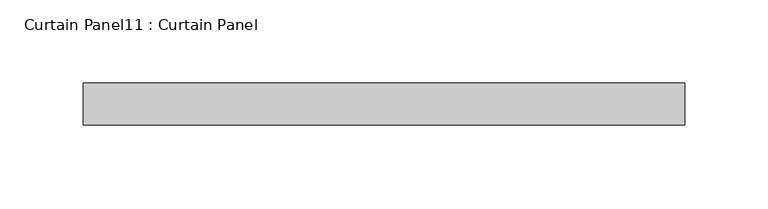
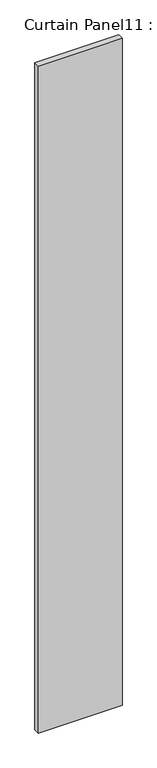
"""IFC4 building model written with IfcOpenShell, lengths in millimetres: plate geometry, Curtain Panel11 : Curtain Panel."""

from ifc_helpers import new_model, si_unit, frame, origin, place, context, project, spatial, polyline, outline, extrude, source, transform, mapped, element, save


def curtain_panel11_curtain_panel_79cc0d69(model_context):
    return source(origin(), model_context, "Body", "SweptSolid", [
        extrude(outline(polyline([(3694.759252, 2174.1978479), (3332.809252, 2174.1978479), (3332.809252, 2199.5978479), (3694.759252, 2199.5978479), (3694.759252, 2174.1978479)])), frame((0.0, 0.0, -655.9548836), z_axis=(0.0, 0.0, 1.0), x_axis=(1.0, 0.0, 0.0)), (0.0, 0.0, 1.0), 3048.0),
    ])


if __name__ == "__main__":
    model = new_model("IFC4")
    model_context = context("Model", 3, world=origin())
    ifc_project = project(units=[si_unit("LENGTHUNIT", "METRE", prefix="MILLI")], contexts=[model_context])
    site = spatial("IfcSite", under=ifc_project)
    building = spatial("IfcBuilding", under=site)
    placement = place(None, origin())
    curtain_panel11_curtain_panel_shape = curtain_panel11_curtain_panel_79cc0d69(model_context)
    element("IfcPlate", 1, ObjectType="Curtain Panel11 : Curtain Panel", at=placement, inside=building, context=model_context, shape_type="MappedRepresentation", body=[
        mapped(curtain_panel11_curtain_panel_shape, transform((0.0, 0.0, 0.0), x_axis=(1.0, 0.0, 0.0), y_axis=(0.0, 1.0, 0.0), z_axis=(0.0, 0.0, 1.0))),
    ])
    save(model, "model.ifc")
